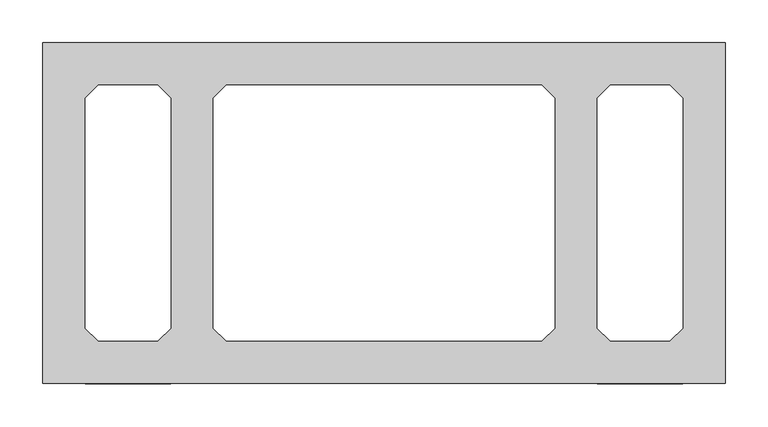
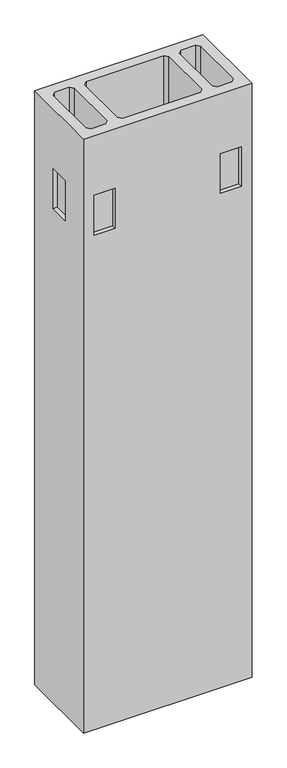
"""IFC4 building model written with IfcOpenShell, lengths in millimetres: proxy geometry."""

import ifcopenshell
import ifcopenshell.guid

model = None  # the IFC model being written
_history = None  # IfcOwnerHistory: only IFC2X3 demands one
_inside = {}  # id of a spatial element -> (the spatial element, [elements in it])
_under = {}  # id of a project, library or spatial element -> (it, [spatial elements below it])
_declared = {}  # id of a project -> (the project, [libraries it declares])
_typed = {}  # id of a type object -> (the type object, [elements of that type])
_made_of = {}  # id of a material, layer set ... -> (it, [elements and type objects made of it])


def new_model(schema):
    """Start an empty IFC model of exactly this schema.

    Asked for "IFC4X3", IfcOpenShell would pick the latest addendum, in which some entities
    have other attributes; the version numbers below select the first issue.
    IFC2X3 requires an IfcOwnerHistory on every rooted entity: one is made here for all.
    """
    global model, _history
    if schema == "IFC4X3":
        model = ifcopenshell.file(schema_version=(4, 3, 0, 0))
    else:
        model = ifcopenshell.file(schema=schema)
    _inside.clear()
    _under.clear()
    _declared.clear()
    _typed.clear()
    _made_of.clear()
    _history = None
    if model.schema == "IFC2X3":
        org = make("IfcOrganization", Name="unknown")
        user = make(
            "IfcPersonAndOrganization",
            ThePerson=make("IfcPerson", FamilyName="unknown"),
            TheOrganization=org,
        )
        app = make(
            "IfcApplication",
            ApplicationDeveloper=org,
            Version="unknown",
            ApplicationFullName="unknown",
            ApplicationIdentifier="unknown",
        )
        _history = make(
            "IfcOwnerHistory",
            OwningUser=user,
            OwningApplication=app,
            ChangeAction="ADDED",
            CreationDate=0,
        )
    return model


def make(cls, **values):
    """One entity of the class cls with the attributes given. An attribute that is None is left unset."""
    return model.create_entity(
        cls, **{name: value for name, value in values.items() if value is not None}
    )


def rooted(cls, **values):
    """An entity with a GlobalId (a new one), such as an element, a storey or a relation."""
    return make(cls, GlobalId=ifcopenshell.guid.new(), OwnerHistory=_history, **values)


def si_unit(unit_type, name, prefix=None):
    """IfcSIUnit, for example si_unit("LENGTHUNIT", "METRE", prefix="MILLI")."""
    return make("IfcSIUnit", UnitType=unit_type, Prefix=prefix, Name=name)


def assignment(units):
    """IfcUnitAssignment: the units of a project."""
    return None if units is None else make("IfcUnitAssignment", Units=units)


def point(xyz):
    """IfcCartesianPoint."""
    return None if xyz is None else make("IfcCartesianPoint", Coordinates=xyz)


def direction(xyz):
    """IfcDirection."""
    return None if xyz is None else make("IfcDirection", DirectionRatios=xyz)


def frame(location, z_axis=None, x_axis=None):
    """IfcAxis2Placement3D, a coordinate frame: its origin and axes. An axis left out is left unset."""
    return make(
        "IfcAxis2Placement3D",
        Location=point(location),
        Axis=direction(z_axis),
        RefDirection=direction(x_axis),
    )


def origin():
    """The frame at (0, 0, 0) with its axes left unset."""
    return frame((0.0, 0.0, 0.0))


def place(relative_to, where):
    """IfcLocalPlacement: puts the frame where relative to a parent placement (None: the world)."""
    return make(
        "IfcLocalPlacement", PlacementRelTo=relative_to, RelativePlacement=where
    )


def context(
    kind, dimensions, precision=None, world=None, true_north=None, identifier=None
):
    """IfcGeometricRepresentationContext, for example the 3D "Model" context."""
    return make(
        "IfcGeometricRepresentationContext",
        ContextIdentifier=identifier,
        ContextType=kind,
        CoordinateSpaceDimension=dimensions,
        Precision=precision,
        WorldCoordinateSystem=world,
        TrueNorth=true_north,
    )


def project(units=None, contexts=None):
    """IfcProject with its units and contexts."""
    return rooted(
        "IfcProject",
        Name="project",
        RepresentationContexts=contexts,
        UnitsInContext=assignment(units),
    )


def spatial(cls, under=None, at=None, **own):
    """A site, building, storey or space (cls), placed at a placement, below another one or the project."""
    s = rooted(cls, ObjectPlacement=at, **own)
    if under is not None:
        _under.setdefault(under.id(), (under, []))[1].append(s)
    return s


def faces_of(points, faces, orient=None, outer=None):
    """IfcFace entities. A face is a list of loops; a loop is a list of indices into points, from 0.

    orient and outer hold one flag for each loop. By default every Orientation is true, the
    first loop of a face is its IfcFaceOuterBound and the others are IfcFaceBound.
    """
    made = []
    for i, loops in enumerate(faces):
        bounds = []
        for j, loop in enumerate(loops):
            is_outer = j == 0 if outer is None else outer[i][j]
            bounds.append(
                make(
                    "IfcFaceOuterBound" if is_outer else "IfcFaceBound",
                    Bound=make("IfcPolyLoop", Polygon=[points[k] for k in loop]),
                    Orientation=True if orient is None else orient[i][j],
                )
            )
        made.append(make("IfcFace", Bounds=bounds))
    return made


def faceted_brep(points, faces, orient=None, outer=None, voids=None):
    """IfcFacetedBrep: a solid bounded by flat faces; with voids (closed shells), ...WithVoids."""
    shared = [point(p) for p in points]
    hull = make("IfcClosedShell", CfsFaces=faces_of(shared, faces, orient, outer))
    if voids is None:
        return make("IfcFacetedBrep", Outer=hull)
    return make(
        "IfcFacetedBrepWithVoids",
        Outer=hull,
        Voids=[
            make(cls, CfsFaces=faces_of(shared, fs, o, b)) for cls, fs, o, b in voids
        ],
    )


def shape(context_of_items, identifier, shape_type, items):
    """IfcShapeRepresentation: the items that make up one representation, for example the "Body"."""
    return make(
        "IfcShapeRepresentation",
        ContextOfItems=context_of_items,
        RepresentationIdentifier=identifier,
        RepresentationType=shape_type,
        Items=items,
    )


def source(mapping_origin, context_of_items, identifier, shape_type, items):
    """IfcRepresentationMap: a shape defined once, which mapped items show again and again."""
    return make(
        "IfcRepresentationMap",
        MappingOrigin=mapping_origin,
        MappedRepresentation=shape(context_of_items, identifier, shape_type, items),
    )


def transform(
    local_origin,
    x_axis=None,
    y_axis=None,
    z_axis=None,
    scale=None,
    scale2=None,
    scale3=None,
    uniform=True,
):
    """IfcCartesianTransformationOperator3D, or its non-uniform kind. x_axis, y_axis, z_axis: its Axis1, 2, 3."""
    if uniform:
        return make(
            "IfcCartesianTransformationOperator3D",
            Axis1=direction(x_axis),
            Axis2=direction(y_axis),
            LocalOrigin=point(local_origin),
            Scale=scale,
            Axis3=direction(z_axis),
        )
    return make(
        "IfcCartesianTransformationOperator3DnonUniform",
        Axis1=direction(x_axis),
        Axis2=direction(y_axis),
        LocalOrigin=point(local_origin),
        Scale=scale,
        Axis3=direction(z_axis),
        Scale2=scale2,
        Scale3=scale3,
    )


def mapped(mapping_source, mapping_target):
    """IfcMappedItem: shows the shape of a source again, moved by a transform."""
    return make(
        "IfcMappedItem", MappingSource=mapping_source, MappingTarget=mapping_target
    )


def made_of(thing, what):
    """Note that an element or type object is made of a material, layer set ...; save() writes the relation."""
    if what is not None:
        _made_of.setdefault(what.id(), (what, []))[1].append(thing)
    return thing


def element(
    cls,
    number,
    at=None,
    inside=None,
    cuts=None,
    type_object=None,
    material=None,
    context=None,
    identifier="Body",
    shape_type=None,
    held_by="IfcProductDefinitionShape",
    body=None,
    shapes=None,
    **own,
):
    """One element of the class cls, such as IfcWall. Its Tag is "e" and its number.

    at: its placement. inside: the storey or other place that contains it. cuts: it is an
    opening in that element (IfcRelVoidsElement). A single representation is given by context,
    identifier, shape_type and body (its items); several are given by shapes. held_by: the class
    of the entity that holds the representations. save() writes the other relations.
    """
    e = rooted(cls, Tag="e%d" % number, ObjectPlacement=at, **own)
    if body is not None:
        shapes = [shape(context, identifier, shape_type, body)]
    if shapes is not None:
        e.Representation = make(held_by, Representations=shapes)
    if inside is not None:
        _inside.setdefault(inside.id(), (inside, []))[1].append(e)
    if cuts is not None:
        rooted(
            "IfcRelVoidsElement", RelatingBuildingElement=cuts, RelatedOpeningElement=e
        )
    if type_object is not None:
        _typed.setdefault(type_object.id(), (type_object, []))[1].append(e)
    return made_of(e, material)


def aggregate(whole, parts):
    """IfcRelAggregates: a whole, such as a stair, and the parts it consists of."""
    return rooted("IfcRelAggregates", RelatingObject=whole, RelatedObjects=parts)


def save(model, path):
    """Write the relations noted so far, then the file.

    IfcRelAggregates (storeys below a building ...), IfcRelContainedInSpatialStructure (elements
    in a storey), IfcRelDefinesByType, IfcRelAssociatesMaterial and IfcRelDeclares: one each for
    every whole, place, type object, material and project.
    """
    for whole, parts in _under.values():
        aggregate(whole, parts)
    for where, things in _inside.values():
        rooted(
            "IfcRelContainedInSpatialStructure",
            RelatedElements=things,
            RelatingStructure=where,
        )
    for kind, things in _typed.values():
        rooted("IfcRelDefinesByType", RelatedObjects=things, RelatingType=kind)
    for what, things in _made_of.values():
        rooted("IfcRelAssociatesMaterial", RelatedObjects=things, RelatingMaterial=what)
    for by, libraries in _declared.values():
        rooted("IfcRelDeclares", RelatingContext=by, RelatedDefinitions=libraries)
    model.write(path)


def specialty_equipment_d5d6bc65(model_context):
    return source(origin(), model_context, "Body", "Brep", [
        faceted_brep([(-400.0, 200.0, 2980.0), (-400.0, -200.0, 2980.0), (400.0, -200.0, 2980.0), (400.0, 200.0, 2980.0), (-335.0, -150.0, 2980.0), (-350.0, -135.0, 2980.0), (-350.0, 135.0, 2980.0), (-335.0, 150.0, 2980.0), (-265.0, 150.0, 2980.0), (-250.0, 135.0, 2980.0), (-250.0, -135.0, 2980.0), (-265.0, -150.0, 2980.0), (-185.0, -150.0, 2980.0), (-200.0, -135.0, 2980.0), (-200.0, 135.0, 2980.0), (-185.0, 150.0, 2980.0), (185.0, 150.0, 2980.0), (200.0, 135.0, 2980.0), (200.0, -135.0, 2980.0), (185.0, -150.0, 2980.0), (265.0, -150.0, 2980.0), (250.0, -135.0, 2980.0), (250.0, 135.0, 2980.0), (265.0, 150.0, 2980.0), (335.0, 150.0, 2980.0), (350.0, 135.0, 2980.0), (350.0, -135.0, 2980.0), (335.0, -150.0, 2980.0), (-400.0, 200.0, 0.0), (400.0, 200.0, 0.0), (400.0, -200.0, 0.0), (-400.0, -200.0, 0.0), (-335.0, -150.0, 0.0), (-265.0, -150.0, 0.0), (-250.0, -135.0, 0.0), (-250.0, 135.0, 0.0), (-265.0, 150.0, 0.0), (-335.0, 150.0, 0.0), (-350.0, 135.0, 0.0), (-350.0, -135.0, 0.0), (-185.0, -150.0, 0.0), (185.0, -150.0, 0.0), (200.0, -135.0, 0.0), (200.0, 135.0, 0.0), (185.0, 150.0, 0.0), (-185.0, 150.0, 0.0), (-200.0, 135.0, 0.0), (-200.0, -135.0, 0.0), (265.0, -150.0, 0.0), (335.0, -150.0, 0.0), (350.0, -135.0, 0.0), (350.0, 135.0, 0.0), (335.0, 150.0, 0.0), (265.0, 150.0, 0.0), (250.0, 135.0, 0.0), (250.0, -135.0, 0.0), (-250.0, 200.0, 2680.0), (-350.0, 200.0, 2680.0), (-350.0, 200.0, 2480.0), (-250.0, 200.0, 2480.0), (250.0, 200.0, 2480.0), (350.0, 200.0, 2480.0), (350.0, 200.0, 2680.0), (250.0, 200.0, 2680.0), (400.0, 50.0, 2480.0), (400.0, -50.0, 2480.0), (400.0, -50.0, 2680.0), (400.0, 50.0, 2680.0), (-250.0, -200.0, 2480.0), (-350.0, -200.0, 2480.0), (-350.0, -200.0, 2680.0), (-250.0, -200.0, 2680.0), (250.0, -200.0, 2680.0), (350.0, -200.0, 2680.0), (350.0, -200.0, 2480.0), (250.0, -200.0, 2480.0), (-400.0, 50.0, 2680.0), (-400.0, -50.0, 2680.0), (-400.0, -50.0, 2480.0), (-400.0, 50.0, 2480.0), (-250.0, -180.0, 2680.0), (-350.0, -180.0, 2680.0), (-350.0, -180.0, 2480.0), (-250.0, -180.0, 2480.0), (250.0, -180.0, 2680.0), (250.0, -180.0, 2480.0), (350.0, -180.0, 2480.0), (350.0, -180.0, 2680.0), (-250.0, 180.0, 2680.0), (-250.0, 180.0, 2480.0), (-350.0, 180.0, 2480.0), (-350.0, 180.0, 2680.0), (250.0, 180.0, 2680.0), (350.0, 180.0, 2680.0), (350.0, 180.0, 2480.0), (250.0, 180.0, 2480.0), (-380.0, 50.0, 2680.0), (-380.0, 50.0, 2480.0), (-380.0, -50.0, 2480.0), (-380.0, -50.0, 2680.0), (380.0, 50.0, 2680.0), (380.0, -50.0, 2680.0), (380.0, -50.0, 2480.0), (380.0, 50.0, 2480.0)], [[[0, 1, 2, 3], [4, 5, 6, 7, 8, 9, 10, 11], [12, 13, 14, 15, 16, 17, 18, 19], [20, 21, 22, 23, 24, 25, 26, 27]], [[28, 29, 30, 31], [32, 33, 34, 35, 36, 37, 38, 39], [40, 41, 42, 43, 44, 45, 46, 47], [48, 49, 50, 51, 52, 53, 54, 55]], [[3, 29, 28, 0], [56, 57, 58, 59], [60, 61, 62, 63]], [[2, 30, 29, 3], [64, 65, 66, 67]], [[1, 31, 30, 2], [68, 69, 70, 71], [72, 73, 74, 75]], [[0, 28, 31, 1], [76, 77, 78, 79]], [[11, 33, 32, 4]], [[10, 34, 33, 11]], [[9, 35, 34, 10]], [[8, 36, 35, 9]], [[7, 37, 36, 8]], [[6, 38, 37, 7]], [[5, 39, 38, 6]], [[4, 32, 39, 5]], [[19, 41, 40, 12]], [[18, 42, 41, 19]], [[17, 43, 42, 18]], [[16, 44, 43, 17]], [[15, 45, 44, 16]], [[14, 46, 45, 15]], [[13, 47, 46, 14]], [[12, 40, 47, 13]], [[27, 49, 48, 20]], [[26, 50, 49, 27]], [[25, 51, 50, 26]], [[24, 52, 51, 25]], [[23, 53, 52, 24]], [[22, 54, 53, 23]], [[21, 55, 54, 22]], [[20, 48, 55, 21]], [[80, 81, 82, 83]], [[83, 68, 71, 80]], [[82, 69, 68, 83]], [[81, 70, 69, 82]], [[80, 71, 70, 81]], [[84, 85, 86, 87]], [[84, 72, 75, 85]], [[85, 75, 74, 86]], [[86, 74, 73, 87]], [[87, 73, 72, 84]], [[88, 89, 90, 91]], [[88, 56, 59, 89]], [[89, 59, 58, 90]], [[90, 58, 57, 91]], [[91, 57, 56, 88]], [[92, 93, 94, 95]], [[95, 60, 63, 92]], [[94, 61, 60, 95]], [[93, 62, 61, 94]], [[92, 63, 62, 93]], [[96, 97, 98, 99]], [[96, 76, 79, 97]], [[97, 79, 78, 98]], [[98, 78, 77, 99]], [[99, 77, 76, 96]], [[100, 101, 102, 103]], [[103, 64, 67, 100]], [[102, 65, 64, 103]], [[101, 66, 65, 102]], [[100, 67, 66, 101]]]),
    ])


if __name__ == "__main__":
    model = new_model("IFC4")
    model_context = context("Model", 3, world=origin())
    ifc_project = project(units=[si_unit("LENGTHUNIT", "METRE", prefix="MILLI")], contexts=[model_context])
    site = spatial("IfcSite", under=ifc_project)
    building = spatial("IfcBuilding", under=site)
    placement = place(None, origin())
    specialty_equipment_shape = specialty_equipment_d5d6bc65(model_context)
    element("IfcBuildingElementProxy", 1, Name="Specialty Equipment", at=placement, inside=building, context=model_context, shape_type="MappedRepresentation", body=[
        mapped(specialty_equipment_shape, transform((0.0, 0.0, 0.0), x_axis=(1.0, 0.0, 0.0), y_axis=(0.0, 1.0, 0.0), z_axis=(0.0, 0.0, 1.0))),
    ])
    save(model, "model.ifc")
